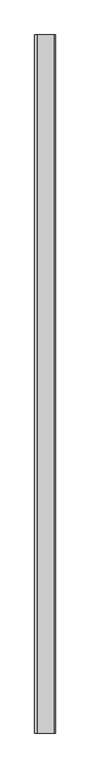
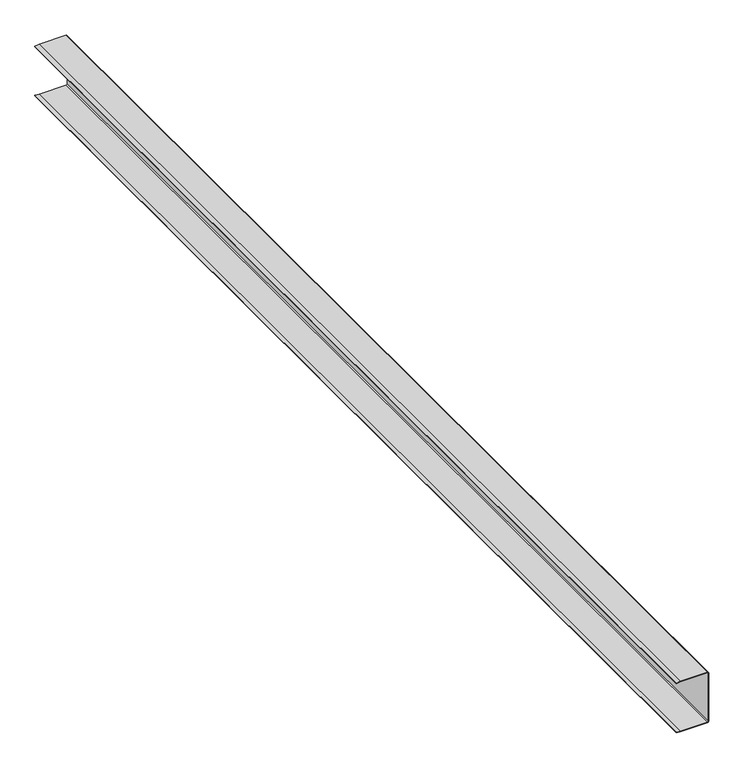
"""IFC4 building model written with IfcOpenShell, lengths in millimetres: proxy geometry."""

from ifc_helpers import new_model, si_unit, point, frame, frame_2d, origin, place, context, project, spatial, polyline, circle_curve, trimmed, segment, composite_curve, outline, extrude, source, transform, mapped, element, save


def specialty_equipment_58af22ec(model_context):
    return source(origin(), model_context, "Body", "SweptSolid", [
        extrude(outline(composite_curve([segment(polyline([(-137.6045, 2.6246667), (-2.0743333, 2.6246667)]), True, "CONTINUOUS"), segment(trimmed(circle_curve(frame_2d((-2.0743333, -2.0743333)), 4.699), [point((-2.0743333, 2.6246667))], [point((2.6246667, -2.0743333))], False, "CARTESIAN"), True, "CONTINUOUS"), segment(polyline([(2.6246667, -2.0743333), (2.6246667, -75.2686667), (1.4408445, -86.4053637), (0.0, -86.2353789), (1.1006667, -75.1416667), (1.1006667, -2.0743333)]), True, "CONTINUOUS"), segment(trimmed(circle_curve(frame_2d((-2.0743333, -2.0743333)), 3.175), [point((1.1006667, -2.0743333))], [point((-2.0743333, 1.1006667))], True, "CARTESIAN"), True, "CONTINUOUS"), segment(polyline([(-2.0743333, 1.1006667), (-137.6045, 1.1006667)]), True, "CONTINUOUS"), segment(trimmed(circle_curve(frame_2d((-137.6045, -2.0955)), 3.1961666), [point((-137.6045, 1.1006667))], [point((-140.8006667, -2.0955))], True, "CARTESIAN"), True, "CONTINUOUS"), segment(polyline([(-140.8006667, -2.0955), (-140.8006667, -75.184), (-139.7, -86.3251205), (-141.1383325, -86.4729334), (-142.3246667, -75.2686667), (-142.3246667, -2.0955)]), True, "CONTINUOUS"), segment(trimmed(circle_curve(frame_2d((-137.6045, -2.0955)), 4.7201666), [point((-142.3246667, -2.0955))], [point((-137.6045, 2.6246667))], False, "CARTESIAN"), True, "CONTINUOUS")], self_intersect=False)), frame((0.0, -1141.4125, 0.0), z_axis=(0.0, 1.0, 0.0), x_axis=(0.0, 0.0, 1.0)), (0.0, 0.0, 1.0), 3021.0125),
    ])


if __name__ == "__main__":
    model = new_model("IFC4")
    model_context = context("Model", 3, world=origin())
    ifc_project = project(units=[si_unit("LENGTHUNIT", "METRE", prefix="MILLI")], contexts=[model_context])
    site = spatial("IfcSite", under=ifc_project)
    building = spatial("IfcBuilding", under=site)
    placement = place(None, origin())
    specialty_equipment_shape = specialty_equipment_58af22ec(model_context)
    element("IfcBuildingElementProxy", 1, Name="Specialty Equipment", at=placement, inside=building, context=model_context, shape_type="MappedRepresentation", body=[
        mapped(specialty_equipment_shape, transform((0.0, 0.0, 0.0), x_axis=(1.0, 0.0, 0.0), y_axis=(0.0, 1.0, 0.0), z_axis=(0.0, 0.0, 1.0))),
    ])
    save(model, "model.ifc")
